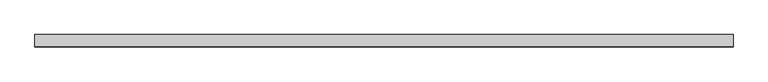
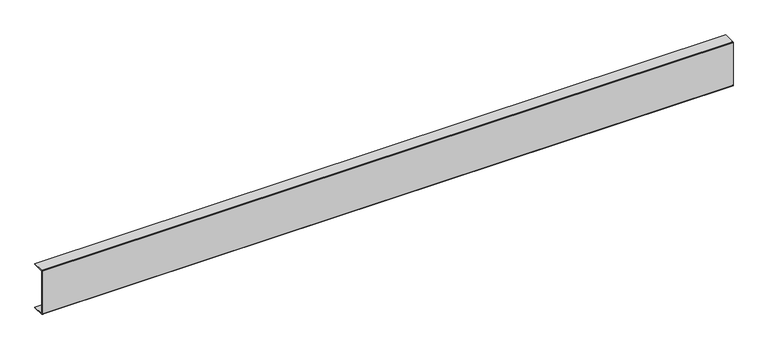
"""IFC4 building model written with IfcOpenShell, lengths in millimetres: proxy geometry."""

import ifcopenshell
import ifcopenshell.guid

model = None  # the IFC model being written
_history = None  # IfcOwnerHistory: only IFC2X3 demands one
_inside = {}  # id of a spatial element -> (the spatial element, [elements in it])
_under = {}  # id of a project, library or spatial element -> (it, [spatial elements below it])
_declared = {}  # id of a project -> (the project, [libraries it declares])
_typed = {}  # id of a type object -> (the type object, [elements of that type])
_made_of = {}  # id of a material, layer set ... -> (it, [elements and type objects made of it])


def new_model(schema):
    """Start an empty IFC model of exactly this schema.

    Asked for "IFC4X3", IfcOpenShell would pick the latest addendum, in which some entities
    have other attributes; the version numbers below select the first issue.
    IFC2X3 requires an IfcOwnerHistory on every rooted entity: one is made here for all.
    """
    global model, _history
    if schema == "IFC4X3":
        model = ifcopenshell.file(schema_version=(4, 3, 0, 0))
    else:
        model = ifcopenshell.file(schema=schema)
    _inside.clear()
    _under.clear()
    _declared.clear()
    _typed.clear()
    _made_of.clear()
    _history = None
    if model.schema == "IFC2X3":
        org = make("IfcOrganization", Name="unknown")
        user = make(
            "IfcPersonAndOrganization",
            ThePerson=make("IfcPerson", FamilyName="unknown"),
            TheOrganization=org,
        )
        app = make(
            "IfcApplication",
            ApplicationDeveloper=org,
            Version="unknown",
            ApplicationFullName="unknown",
            ApplicationIdentifier="unknown",
        )
        _history = make(
            "IfcOwnerHistory",
            OwningUser=user,
            OwningApplication=app,
            ChangeAction="ADDED",
            CreationDate=0,
        )
    return model


def make(cls, **values):
    """One entity of the class cls with the attributes given. An attribute that is None is left unset."""
    return model.create_entity(
        cls, **{name: value for name, value in values.items() if value is not None}
    )


def rooted(cls, **values):
    """An entity with a GlobalId (a new one), such as an element, a storey or a relation."""
    return make(cls, GlobalId=ifcopenshell.guid.new(), OwnerHistory=_history, **values)


def si_unit(unit_type, name, prefix=None):
    """IfcSIUnit, for example si_unit("LENGTHUNIT", "METRE", prefix="MILLI")."""
    return make("IfcSIUnit", UnitType=unit_type, Prefix=prefix, Name=name)


def assignment(units):
    """IfcUnitAssignment: the units of a project."""
    return None if units is None else make("IfcUnitAssignment", Units=units)


def point(xyz):
    """IfcCartesianPoint."""
    return None if xyz is None else make("IfcCartesianPoint", Coordinates=xyz)


def direction(xyz):
    """IfcDirection."""
    return None if xyz is None else make("IfcDirection", DirectionRatios=xyz)


def frame(location, z_axis=None, x_axis=None):
    """IfcAxis2Placement3D, a coordinate frame: its origin and axes. An axis left out is left unset."""
    return make(
        "IfcAxis2Placement3D",
        Location=point(location),
        Axis=direction(z_axis),
        RefDirection=direction(x_axis),
    )


def frame_2d(location, x_axis=None):
    """IfcAxis2Placement2D, a coordinate frame in the plane: its origin and x axis."""
    return make(
        "IfcAxis2Placement2D", Location=point(location), RefDirection=direction(x_axis)
    )


def origin():
    """The frame at (0, 0, 0) with its axes left unset."""
    return frame((0.0, 0.0, 0.0))


def place(relative_to, where):
    """IfcLocalPlacement: puts the frame where relative to a parent placement (None: the world)."""
    return make(
        "IfcLocalPlacement", PlacementRelTo=relative_to, RelativePlacement=where
    )


def context(
    kind, dimensions, precision=None, world=None, true_north=None, identifier=None
):
    """IfcGeometricRepresentationContext, for example the 3D "Model" context."""
    return make(
        "IfcGeometricRepresentationContext",
        ContextIdentifier=identifier,
        ContextType=kind,
        CoordinateSpaceDimension=dimensions,
        Precision=precision,
        WorldCoordinateSystem=world,
        TrueNorth=true_north,
    )


def project(units=None, contexts=None):
    """IfcProject with its units and contexts."""
    return rooted(
        "IfcProject",
        Name="project",
        RepresentationContexts=contexts,
        UnitsInContext=assignment(units),
    )


def spatial(cls, under=None, at=None, **own):
    """A site, building, storey or space (cls), placed at a placement, below another one or the project."""
    s = rooted(cls, ObjectPlacement=at, **own)
    if under is not None:
        _under.setdefault(under.id(), (under, []))[1].append(s)
    return s


def polyline(points):
    """IfcPolyline through the points."""
    return make("IfcPolyline", Points=[point(p) for p in points])


def circle_curve(where, radius):
    """IfcCircle in the frame where."""
    return make("IfcCircle", Position=where, Radius=radius)


def trimmed(basis, trim1, trim2, sense, master):
    """IfcTrimmedCurve: the piece of a basis curve between two trims."""
    return make(
        "IfcTrimmedCurve",
        BasisCurve=basis,
        Trim1=trim1,
        Trim2=trim2,
        SenseAgreement=sense,
        MasterRepresentation=master,
    )


def segment(curve, same_sense, transition):
    """IfcCompositeCurveSegment."""
    return make(
        "IfcCompositeCurveSegment",
        Transition=transition,
        SameSense=same_sense,
        ParentCurve=curve,
    )


def composite_curve(segments, self_intersect=None):
    """IfcCompositeCurve: segments joined end to end."""
    return make("IfcCompositeCurve", Segments=segments, SelfIntersect=self_intersect)


def outline(outer, holes=None, kind="AREA"):
    """IfcArbitraryClosedProfileDef: a profile drawn as a closed curve; with holes, ...WithVoids."""
    if holes is None:
        return make("IfcArbitraryClosedProfileDef", ProfileType=kind, OuterCurve=outer)
    return make(
        "IfcArbitraryProfileDefWithVoids",
        ProfileType=kind,
        OuterCurve=outer,
        InnerCurves=holes,
    )


def extrude(swept, where, along, depth):
    """IfcExtrudedAreaSolid: the profile swept, set in the frame where, extruded along a direction by depth."""
    return make(
        "IfcExtrudedAreaSolid",
        SweptArea=swept,
        Position=where,
        ExtrudedDirection=direction(along),
        Depth=depth,
    )


def shape(context_of_items, identifier, shape_type, items):
    """IfcShapeRepresentation: the items that make up one representation, for example the "Body"."""
    return make(
        "IfcShapeRepresentation",
        ContextOfItems=context_of_items,
        RepresentationIdentifier=identifier,
        RepresentationType=shape_type,
        Items=items,
    )


def source(mapping_origin, context_of_items, identifier, shape_type, items):
    """IfcRepresentationMap: a shape defined once, which mapped items show again and again."""
    return make(
        "IfcRepresentationMap",
        MappingOrigin=mapping_origin,
        MappedRepresentation=shape(context_of_items, identifier, shape_type, items),
    )


def transform(
    local_origin,
    x_axis=None,
    y_axis=None,
    z_axis=None,
    scale=None,
    scale2=None,
    scale3=None,
    uniform=True,
):
    """IfcCartesianTransformationOperator3D, or its non-uniform kind. x_axis, y_axis, z_axis: its Axis1, 2, 3."""
    if uniform:
        return make(
            "IfcCartesianTransformationOperator3D",
            Axis1=direction(x_axis),
            Axis2=direction(y_axis),
            LocalOrigin=point(local_origin),
            Scale=scale,
            Axis3=direction(z_axis),
        )
    return make(
        "IfcCartesianTransformationOperator3DnonUniform",
        Axis1=direction(x_axis),
        Axis2=direction(y_axis),
        LocalOrigin=point(local_origin),
        Scale=scale,
        Axis3=direction(z_axis),
        Scale2=scale2,
        Scale3=scale3,
    )


def mapped(mapping_source, mapping_target):
    """IfcMappedItem: shows the shape of a source again, moved by a transform."""
    return make(
        "IfcMappedItem", MappingSource=mapping_source, MappingTarget=mapping_target
    )


def made_of(thing, what):
    """Note that an element or type object is made of a material, layer set ...; save() writes the relation."""
    if what is not None:
        _made_of.setdefault(what.id(), (what, []))[1].append(thing)
    return thing


def element(
    cls,
    number,
    at=None,
    inside=None,
    cuts=None,
    type_object=None,
    material=None,
    context=None,
    identifier="Body",
    shape_type=None,
    held_by="IfcProductDefinitionShape",
    body=None,
    shapes=None,
    **own,
):
    """One element of the class cls, such as IfcWall. Its Tag is "e" and its number.

    at: its placement. inside: the storey or other place that contains it. cuts: it is an
    opening in that element (IfcRelVoidsElement). A single representation is given by context,
    identifier, shape_type and body (its items); several are given by shapes. held_by: the class
    of the entity that holds the representations. save() writes the other relations.
    """
    e = rooted(cls, Tag="e%d" % number, ObjectPlacement=at, **own)
    if body is not None:
        shapes = [shape(context, identifier, shape_type, body)]
    if shapes is not None:
        e.Representation = make(held_by, Representations=shapes)
    if inside is not None:
        _inside.setdefault(inside.id(), (inside, []))[1].append(e)
    if cuts is not None:
        rooted(
            "IfcRelVoidsElement", RelatingBuildingElement=cuts, RelatedOpeningElement=e
        )
    if type_object is not None:
        _typed.setdefault(type_object.id(), (type_object, []))[1].append(e)
    return made_of(e, material)


def aggregate(whole, parts):
    """IfcRelAggregates: a whole, such as a stair, and the parts it consists of."""
    return rooted("IfcRelAggregates", RelatingObject=whole, RelatedObjects=parts)


def save(model, path):
    """Write the relations noted so far, then the file.

    IfcRelAggregates (storeys below a building ...), IfcRelContainedInSpatialStructure (elements
    in a storey), IfcRelDefinesByType, IfcRelAssociatesMaterial and IfcRelDeclares: one each for
    every whole, place, type object, material and project.
    """
    for whole, parts in _under.values():
        aggregate(whole, parts)
    for where, things in _inside.values():
        rooted(
            "IfcRelContainedInSpatialStructure",
            RelatedElements=things,
            RelatingStructure=where,
        )
    for kind, things in _typed.values():
        rooted("IfcRelDefinesByType", RelatedObjects=things, RelatingType=kind)
    for what, things in _made_of.values():
        rooted("IfcRelAssociatesMaterial", RelatedObjects=things, RelatingMaterial=what)
    for by, libraries in _declared.values():
        rooted("IfcRelDeclares", RelatingContext=by, RelatedDefinitions=libraries)
    model.write(path)


def generic_models_a8adc6ee(model_context):
    return source(origin(), model_context, "Body", "SweptSolid", [
        extrude(outline(composite_curve([segment(polyline([(2.0, 151.0), (40.0, 151.0), (40.0, 149.0), (2.0, 149.0), (2.0, 2.0), (40.0, 2.0), (40.0, 0.0), (2.0, 0.0)]), True, "CONTINUOUS"), segment(trimmed(circle_curve(frame_2d((2.0, 2.0)), 2.0), [point((2.0, 0.0))], [point((0.0, 2.0))], False, "CARTESIAN"), True, "CONTINUOUS"), segment(polyline([(0.0, 2.0), (0.0, 149.0)]), True, "CONTINUOUS"), segment(trimmed(circle_curve(frame_2d((2.0, 149.0)), 2.0), [point((0.0, 149.0))], [point((2.0, 151.0))], False, "CARTESIAN"), True, "CONTINUOUS")], self_intersect=False)), frame((0.0, 0.0, 0.0), z_axis=(1.0, 0.0, 0.0), x_axis=(0.0, 1.0, 0.0)), (0.0, 0.0, 1.0), 2248.0),
    ])


if __name__ == "__main__":
    model = new_model("IFC4")
    model_context = context("Model", 3, world=origin())
    ifc_project = project(units=[si_unit("LENGTHUNIT", "METRE", prefix="MILLI")], contexts=[model_context])
    site = spatial("IfcSite", under=ifc_project)
    building = spatial("IfcBuilding", under=site)
    placement = place(None, origin())
    generic_models_shape = generic_models_a8adc6ee(model_context)
    element("IfcBuildingElementProxy", 1, Name="Generic Models", at=placement, inside=building, context=model_context, shape_type="MappedRepresentation", body=[
        mapped(generic_models_shape, transform((0.0, 0.0, 0.0), x_axis=(1.0, 0.0, 0.0), y_axis=(0.0, 1.0, 0.0), z_axis=(0.0, 0.0, 1.0))),
    ])
    save(model, "model.ifc")
